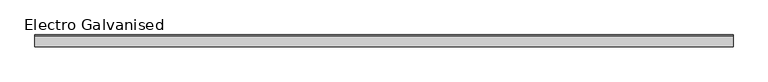
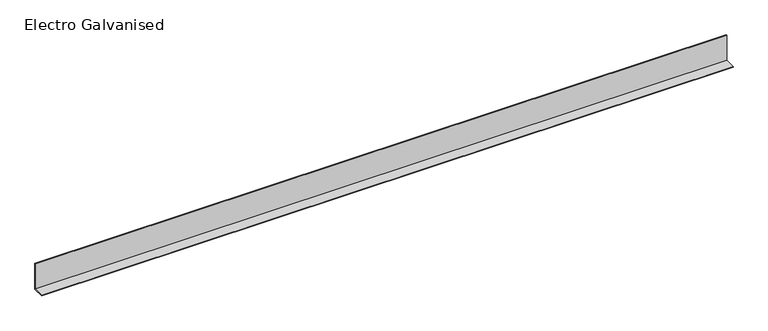
"""IFC4 building model written with IfcOpenShell, lengths in millimetres: proxy geometry, Electro Galvanised."""

import ifcopenshell
import ifcopenshell.guid

model = None  # the IFC model being written
_history = None  # IfcOwnerHistory: only IFC2X3 demands one
_inside = {}  # id of a spatial element -> (the spatial element, [elements in it])
_under = {}  # id of a project, library or spatial element -> (it, [spatial elements below it])
_declared = {}  # id of a project -> (the project, [libraries it declares])
_typed = {}  # id of a type object -> (the type object, [elements of that type])
_made_of = {}  # id of a material, layer set ... -> (it, [elements and type objects made of it])


def new_model(schema):
    """Start an empty IFC model of exactly this schema.

    Asked for "IFC4X3", IfcOpenShell would pick the latest addendum, in which some entities
    have other attributes; the version numbers below select the first issue.
    IFC2X3 requires an IfcOwnerHistory on every rooted entity: one is made here for all.
    """
    global model, _history
    if schema == "IFC4X3":
        model = ifcopenshell.file(schema_version=(4, 3, 0, 0))
    else:
        model = ifcopenshell.file(schema=schema)
    _inside.clear()
    _under.clear()
    _declared.clear()
    _typed.clear()
    _made_of.clear()
    _history = None
    if model.schema == "IFC2X3":
        org = make("IfcOrganization", Name="unknown")
        user = make(
            "IfcPersonAndOrganization",
            ThePerson=make("IfcPerson", FamilyName="unknown"),
            TheOrganization=org,
        )
        app = make(
            "IfcApplication",
            ApplicationDeveloper=org,
            Version="unknown",
            ApplicationFullName="unknown",
            ApplicationIdentifier="unknown",
        )
        _history = make(
            "IfcOwnerHistory",
            OwningUser=user,
            OwningApplication=app,
            ChangeAction="ADDED",
            CreationDate=0,
        )
    return model


def make(cls, **values):
    """One entity of the class cls with the attributes given. An attribute that is None is left unset."""
    return model.create_entity(
        cls, **{name: value for name, value in values.items() if value is not None}
    )


def rooted(cls, **values):
    """An entity with a GlobalId (a new one), such as an element, a storey or a relation."""
    return make(cls, GlobalId=ifcopenshell.guid.new(), OwnerHistory=_history, **values)


def si_unit(unit_type, name, prefix=None):
    """IfcSIUnit, for example si_unit("LENGTHUNIT", "METRE", prefix="MILLI")."""
    return make("IfcSIUnit", UnitType=unit_type, Prefix=prefix, Name=name)


def assignment(units):
    """IfcUnitAssignment: the units of a project."""
    return None if units is None else make("IfcUnitAssignment", Units=units)


def point(xyz):
    """IfcCartesianPoint."""
    return None if xyz is None else make("IfcCartesianPoint", Coordinates=xyz)


def direction(xyz):
    """IfcDirection."""
    return None if xyz is None else make("IfcDirection", DirectionRatios=xyz)


def frame(location, z_axis=None, x_axis=None):
    """IfcAxis2Placement3D, a coordinate frame: its origin and axes. An axis left out is left unset."""
    return make(
        "IfcAxis2Placement3D",
        Location=point(location),
        Axis=direction(z_axis),
        RefDirection=direction(x_axis),
    )


def origin():
    """The frame at (0, 0, 0) with its axes left unset."""
    return frame((0.0, 0.0, 0.0))


def place(relative_to, where):
    """IfcLocalPlacement: puts the frame where relative to a parent placement (None: the world)."""
    return make(
        "IfcLocalPlacement", PlacementRelTo=relative_to, RelativePlacement=where
    )


def context(
    kind, dimensions, precision=None, world=None, true_north=None, identifier=None
):
    """IfcGeometricRepresentationContext, for example the 3D "Model" context."""
    return make(
        "IfcGeometricRepresentationContext",
        ContextIdentifier=identifier,
        ContextType=kind,
        CoordinateSpaceDimension=dimensions,
        Precision=precision,
        WorldCoordinateSystem=world,
        TrueNorth=true_north,
    )


def project(units=None, contexts=None):
    """IfcProject with its units and contexts."""
    return rooted(
        "IfcProject",
        Name="project",
        RepresentationContexts=contexts,
        UnitsInContext=assignment(units),
    )


def spatial(cls, under=None, at=None, **own):
    """A site, building, storey or space (cls), placed at a placement, below another one or the project."""
    s = rooted(cls, ObjectPlacement=at, **own)
    if under is not None:
        _under.setdefault(under.id(), (under, []))[1].append(s)
    return s


def polyline(points):
    """IfcPolyline through the points."""
    return make("IfcPolyline", Points=[point(p) for p in points])


def outline(outer, holes=None, kind="AREA"):
    """IfcArbitraryClosedProfileDef: a profile drawn as a closed curve; with holes, ...WithVoids."""
    if holes is None:
        return make("IfcArbitraryClosedProfileDef", ProfileType=kind, OuterCurve=outer)
    return make(
        "IfcArbitraryProfileDefWithVoids",
        ProfileType=kind,
        OuterCurve=outer,
        InnerCurves=holes,
    )


def extrude(swept, where, along, depth):
    """IfcExtrudedAreaSolid: the profile swept, set in the frame where, extruded along a direction by depth."""
    return make(
        "IfcExtrudedAreaSolid",
        SweptArea=swept,
        Position=where,
        ExtrudedDirection=direction(along),
        Depth=depth,
    )


def shape(context_of_items, identifier, shape_type, items):
    """IfcShapeRepresentation: the items that make up one representation, for example the "Body"."""
    return make(
        "IfcShapeRepresentation",
        ContextOfItems=context_of_items,
        RepresentationIdentifier=identifier,
        RepresentationType=shape_type,
        Items=items,
    )


def source(mapping_origin, context_of_items, identifier, shape_type, items):
    """IfcRepresentationMap: a shape defined once, which mapped items show again and again."""
    return make(
        "IfcRepresentationMap",
        MappingOrigin=mapping_origin,
        MappedRepresentation=shape(context_of_items, identifier, shape_type, items),
    )


def transform(
    local_origin,
    x_axis=None,
    y_axis=None,
    z_axis=None,
    scale=None,
    scale2=None,
    scale3=None,
    uniform=True,
):
    """IfcCartesianTransformationOperator3D, or its non-uniform kind. x_axis, y_axis, z_axis: its Axis1, 2, 3."""
    if uniform:
        return make(
            "IfcCartesianTransformationOperator3D",
            Axis1=direction(x_axis),
            Axis2=direction(y_axis),
            LocalOrigin=point(local_origin),
            Scale=scale,
            Axis3=direction(z_axis),
        )
    return make(
        "IfcCartesianTransformationOperator3DnonUniform",
        Axis1=direction(x_axis),
        Axis2=direction(y_axis),
        LocalOrigin=point(local_origin),
        Scale=scale,
        Axis3=direction(z_axis),
        Scale2=scale2,
        Scale3=scale3,
    )


def mapped(mapping_source, mapping_target):
    """IfcMappedItem: shows the shape of a source again, moved by a transform."""
    return make(
        "IfcMappedItem", MappingSource=mapping_source, MappingTarget=mapping_target
    )


def made_of(thing, what):
    """Note that an element or type object is made of a material, layer set ...; save() writes the relation."""
    if what is not None:
        _made_of.setdefault(what.id(), (what, []))[1].append(thing)
    return thing


def element(
    cls,
    number,
    at=None,
    inside=None,
    cuts=None,
    type_object=None,
    material=None,
    context=None,
    identifier="Body",
    shape_type=None,
    held_by="IfcProductDefinitionShape",
    body=None,
    shapes=None,
    **own,
):
    """One element of the class cls, such as IfcWall. Its Tag is "e" and its number.

    at: its placement. inside: the storey or other place that contains it. cuts: it is an
    opening in that element (IfcRelVoidsElement). A single representation is given by context,
    identifier, shape_type and body (its items); several are given by shapes. held_by: the class
    of the entity that holds the representations. save() writes the other relations.
    """
    e = rooted(cls, Tag="e%d" % number, ObjectPlacement=at, **own)
    if body is not None:
        shapes = [shape(context, identifier, shape_type, body)]
    if shapes is not None:
        e.Representation = make(held_by, Representations=shapes)
    if inside is not None:
        _inside.setdefault(inside.id(), (inside, []))[1].append(e)
    if cuts is not None:
        rooted(
            "IfcRelVoidsElement", RelatingBuildingElement=cuts, RelatedOpeningElement=e
        )
    if type_object is not None:
        _typed.setdefault(type_object.id(), (type_object, []))[1].append(e)
    return made_of(e, material)


def aggregate(whole, parts):
    """IfcRelAggregates: a whole, such as a stair, and the parts it consists of."""
    return rooted("IfcRelAggregates", RelatingObject=whole, RelatedObjects=parts)


def save(model, path):
    """Write the relations noted so far, then the file.

    IfcRelAggregates (storeys below a building ...), IfcRelContainedInSpatialStructure (elements
    in a storey), IfcRelDefinesByType, IfcRelAssociatesMaterial and IfcRelDeclares: one each for
    every whole, place, type object, material and project.
    """
    for whole, parts in _under.values():
        aggregate(whole, parts)
    for where, things in _inside.values():
        rooted(
            "IfcRelContainedInSpatialStructure",
            RelatedElements=things,
            RelatingStructure=where,
        )
    for kind, things in _typed.values():
        rooted("IfcRelDefinesByType", RelatedObjects=things, RelatingType=kind)
    for what, things in _made_of.values():
        rooted("IfcRelAssociatesMaterial", RelatedObjects=things, RelatingMaterial=what)
    for by, libraries in _declared.values():
        rooted("IfcRelDeclares", RelatingContext=by, RelatedDefinitions=libraries)
    model.write(path)


def electro_galvanised_5303276e(model_context):
    return source(origin(), model_context, "Body", "SweptSolid", [
        extrude(outline(polyline([(-13.0, 1.5875), (11.3998, 1.5875), (11.3998, 60.0), (13.0, 60.0), (13.0, 0.0), (-13.0, 0.0), (-13.0, 1.5875)])), frame((-689.76875, 0.0, 0.0), z_axis=(1.0, 0.0, 0.0), x_axis=(0.0, 1.0, 0.0)), (0.0, 0.0, 1.0), 1524.0),
    ])


if __name__ == "__main__":
    model = new_model("IFC4")
    model_context = context("Model", 3, world=origin())
    ifc_project = project(units=[si_unit("LENGTHUNIT", "METRE", prefix="MILLI")], contexts=[model_context])
    site = spatial("IfcSite", under=ifc_project)
    building = spatial("IfcBuilding", under=site)
    placement = place(None, origin())
    electro_galvanised_shape = electro_galvanised_5303276e(model_context)
    element("IfcBuildingElementProxy", 1, Name="Electro Galvanised", ObjectType="Electro Galvanised", at=placement, inside=building, context=model_context, shape_type="MappedRepresentation", body=[
        mapped(electro_galvanised_shape, transform((0.0, 0.0, 0.0), x_axis=(1.0, 0.0, 0.0), y_axis=(0.0, 1.0, 0.0), z_axis=(0.0, 0.0, 1.0))),
    ])
    save(model, "model.ifc")
